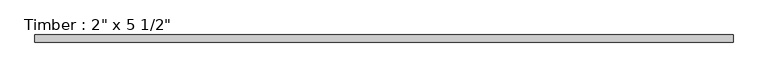
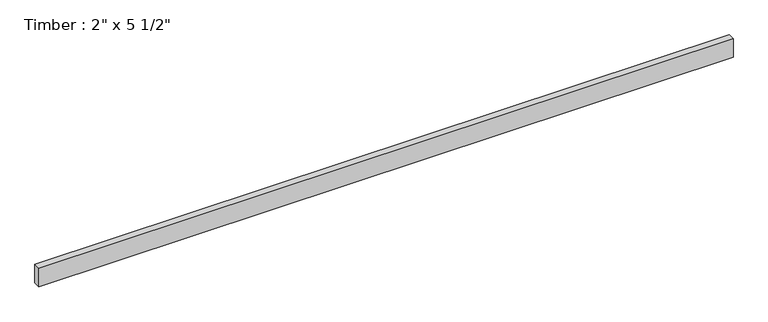
"""IFC4 building model written with IfcOpenShell, lengths in millimetres: beam geometry."""

from ifc_helpers import new_model, si_unit, frame, origin, place, context, project, spatial, polyline, outline, extrude, source, transform, mapped, element, save


def beam_b2c5a743(model_context):
    return source(origin(), model_context, "Body", "SweptSolid", [
        extrude(outline(polyline([(2493.9865901, 25.4), (2493.9865901, -25.4), (-2493.9865901, -25.4), (-2493.9865901, 25.4), (2493.9865901, 25.4)])), frame((0.0, 0.0, -69.85), z_axis=(0.0, 0.0, 1.0), x_axis=(1.0, 0.0, 0.0)), (0.0, 0.0, 1.0), 139.7),
    ])


if __name__ == "__main__":
    model = new_model("IFC4")
    model_context = context("Model", 3, world=origin())
    ifc_project = project(units=[si_unit("LENGTHUNIT", "METRE", prefix="MILLI")], contexts=[model_context])
    site = spatial("IfcSite", under=ifc_project)
    building = spatial("IfcBuilding", under=site)
    placement = place(None, origin())
    beam_shape = beam_b2c5a743(model_context)
    element("IfcBeam", 1, ObjectType="Timber : 2\" x 5 1/2\"", at=placement, inside=building, context=model_context, shape_type="MappedRepresentation", body=[
        mapped(beam_shape, transform((0.0, 0.0, 0.0), x_axis=(1.0, 0.0, 0.0), y_axis=(0.0, 1.0, 0.0), z_axis=(0.0, 0.0, 1.0))),
    ])
    save(model, "model.ifc")
